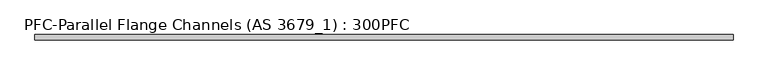
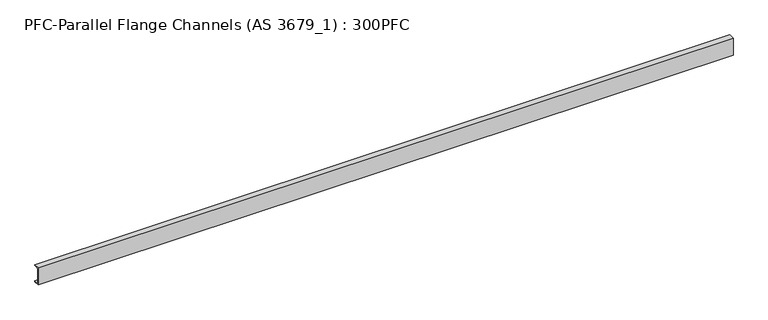
"""IFC4 building model written with IfcOpenShell, lengths in millimetres: beam geometry, PFC-Parallel Flange Channels (AS 3679_1) : 300PFC."""

from ifc_helpers import new_model, si_unit, point, frame, frame_2d, origin, place, context, project, spatial, polyline, circle_curve, trimmed, segment, composite_curve, outline, extrude, source, transform, mapped, element, save


def pfc_parallel_flange_channels_as_3679_1_300pfc_83e1e8ab(model_context):
    return source(origin(), model_context, "Body", "SweptSolid", [
        extrude(outline(composite_curve([segment(polyline([(-27.2, 150.0), (62.8, 150.0), (62.8, 134.0), (-5.2, 134.0)]), True, "CONTINUOUS"), segment(trimmed(circle_curve(frame_2d((-5.2, 120.0)), 14.0), [point((-5.2, 134.0))], [point((-19.2, 120.0))], True, "CARTESIAN"), True, "CONTINUOUS"), segment(polyline([(-19.2, 120.0), (-19.2, -120.0)]), True, "CONTINUOUS"), segment(trimmed(circle_curve(frame_2d((-5.2, -120.0)), 14.0), [point((-19.2, -120.0))], [point((-5.2, -134.0))], True, "CARTESIAN"), True, "CONTINUOUS"), segment(polyline([(-5.2, -134.0), (62.8, -134.0), (62.8, -150.0), (-27.2, -150.0), (-27.2, 150.0)]), True, "CONTINUOUS")], self_intersect=False)), frame((-5736.25, 0.0, 0.0), z_axis=(1.0, 0.0, 0.0), x_axis=(0.0, 1.0, 0.0)), (0.0, 0.0, 1.0), 11472.5),
    ])


if __name__ == "__main__":
    model = new_model("IFC4")
    model_context = context("Model", 3, world=origin())
    ifc_project = project(units=[si_unit("LENGTHUNIT", "METRE", prefix="MILLI")], contexts=[model_context])
    site = spatial("IfcSite", under=ifc_project)
    building = spatial("IfcBuilding", under=site)
    placement = place(None, origin())
    pfc_parallel_flange_channels_as_3679_1_300pfc_shape = pfc_parallel_flange_channels_as_3679_1_300pfc_83e1e8ab(model_context)
    element("IfcBeam", 1, ObjectType="PFC-Parallel Flange Channels (AS 3679_1) : 300PFC", at=placement, inside=building, context=model_context, shape_type="MappedRepresentation", body=[
        mapped(pfc_parallel_flange_channels_as_3679_1_300pfc_shape, transform((0.0, 0.0, 0.0), x_axis=(1.0, 0.0, 0.0), y_axis=(0.0, 1.0, 0.0), z_axis=(0.0, 0.0, 1.0))),
    ])
    save(model, "model.ifc")
